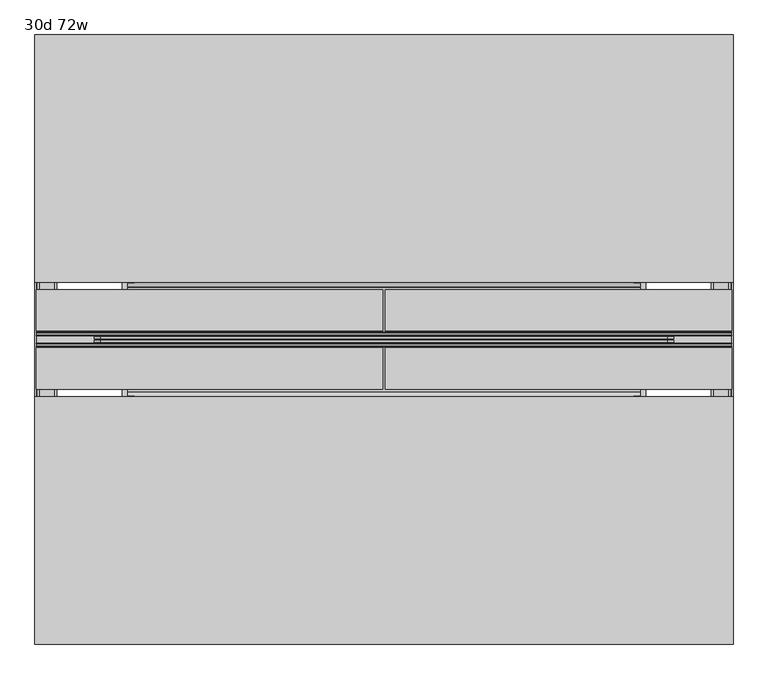
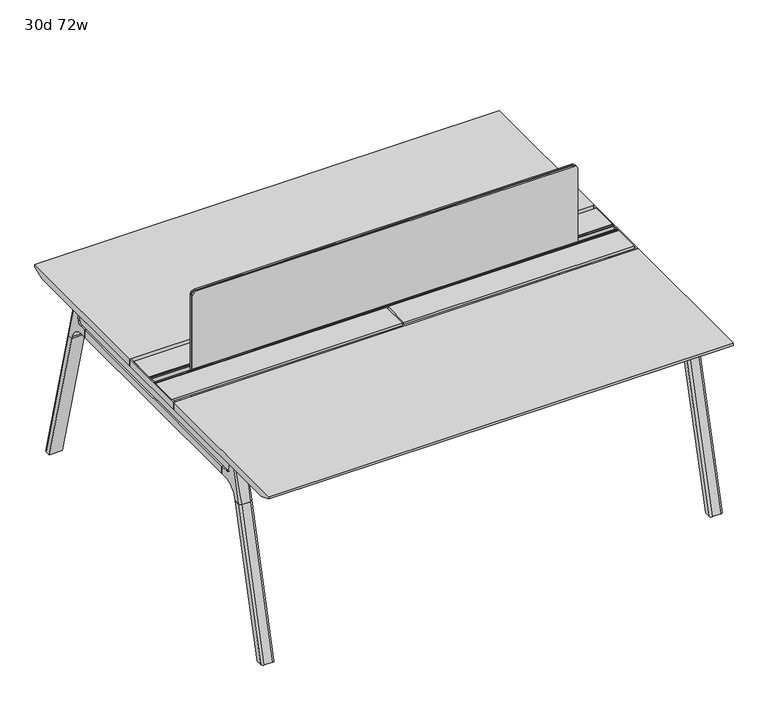
"""IFC4 building model written with IfcOpenShell, lengths in millimetres: furniture geometry, 30d 72w."""

from ifc_helpers import new_model, si_unit, point, frame, frame_2d, origin, place, context, project, spatial, polyline, circle_curve, ellipse_curve, trimmed, segment, composite_curve, outline, extrude, source, transform, mapped, element, save
from ifc_brep_helpers import plane_surface, cylinder_surface, revolved_surface, advanced_brep


def furniture_30d_72w_ed22104f(model_context):
    return source(origin(), model_context, "Body", "SolidModel", [
        extrude(outline(composite_curve([segment(polyline([(1054.89375, 955.675), (1054.89375, -523.875)]), True, "CONTINUOUS"), segment(trimmed(circle_curve(frame_2d((1039.01875, -523.875)), 15.875), [point((1054.89375, -523.875))], [point((1039.01875, -539.75))], False, "CARTESIAN"), True, "CONTINUOUS"), segment(polyline([(1039.01875, -539.75), (720.725, -539.75), (720.725, 971.55), (1039.01875, 971.55)]), True, "CONTINUOUS"), segment(trimmed(circle_curve(frame_2d((1039.01875, 955.675)), 15.875), [point((1039.01875, 971.55))], [point((1054.89375, 955.675))], False, "CARTESIAN"), True, "CONTINUOUS")], self_intersect=False)), frame((0.0, -201.3409766, 0.0), z_axis=(0.0, 1.0, 0.0), x_axis=(0.0, 0.0, 1.0)), (0.0, 0.0, 1.0), 3.175),
        extrude(outline(composite_curve([segment(polyline([(1058.06875, 958.85), (1058.06875, -527.05)]), True, "CONTINUOUS"), segment(trimmed(circle_curve(frame_2d((1042.19375, -527.05)), 15.875), [point((1058.06875, -527.05))], [point((1042.19375, -542.925))], False, "CARTESIAN"), True, "CONTINUOUS"), segment(polyline([(1042.19375, -542.925), (717.55, -542.925), (717.55, 974.725), (1042.19375, 974.725)]), True, "CONTINUOUS"), segment(trimmed(circle_curve(frame_2d((1042.19375, 958.85)), 15.875), [point((1042.19375, 974.725))], [point((1058.06875, 958.85))], False, "CARTESIAN"), True, "CONTINUOUS")], self_intersect=False)), frame((0.0, -198.1659766, 0.0), z_axis=(0.0, 1.0, 0.0), x_axis=(0.0, 0.0, 1.0)), (0.0, 0.0, 1.0), 5.55625),
        extrude(outline(composite_curve([segment(polyline([(1058.06875, 958.85), (1058.06875, -527.05)]), True, "CONTINUOUS"), segment(trimmed(circle_curve(frame_2d((1042.19375, -527.05)), 15.875), [point((1058.06875, -527.05))], [point((1042.19375, -542.925))], False, "CARTESIAN"), True, "CONTINUOUS"), segment(polyline([(1042.19375, -542.925), (717.55, -542.925), (717.55, 974.725), (1042.19375, 974.725)]), True, "CONTINUOUS"), segment(trimmed(circle_curve(frame_2d((1042.19375, 958.85)), 15.875), [point((1042.19375, 974.725))], [point((1058.06875, 958.85))], False, "CARTESIAN"), True, "CONTINUOUS")], self_intersect=False)), frame((0.0, -206.8972266, 0.0), z_axis=(0.0, 1.0, 0.0), x_axis=(0.0, 0.0, 1.0)), (0.0, 0.0, 1.0), 5.55625),
        extrude(outline(polyline([(-348.9784469, 559.4636683), (-364.040663, 627.7843353), (-35.4662901, 627.7843353), (-50.5285062, 559.4636683), (-46.7502281, 557.2647146), (-46.7502281, 549.3667827), (-62.6252238, 521.8704736), (-336.8817293, 521.8704736), (-352.756725, 549.3667827), (-352.756725, 557.2647146), (-348.9784469, 559.4636683)])), frame((889.0, 0.0, 0.0), z_axis=(1.0, 0.0, 0.0), x_axis=(0.0, 1.0, 0.0)), (0.0, 0.0, 1.0), 12.7),
        extrude(outline(polyline([(-348.9784469, 559.4636683), (-364.040663, 627.7843353), (-35.4662901, 627.7843353), (-50.5285062, 559.4636683), (-46.7502281, 557.2647146), (-46.7502281, 549.3667827), (-62.6252238, 521.8704736), (-336.8817293, 521.8704736), (-352.756725, 549.3667827), (-352.756725, 557.2647146), (-348.9784469, 559.4636683)])), frame((-469.9, 0.0, 0.0), z_axis=(1.0, 0.0, 0.0), x_axis=(0.0, 1.0, 0.0)), (0.0, 0.0, 1.0), 12.7),
        extrude(outline(polyline([(-18.0090763, 698.5), (3.7767266, 698.5), (3.7767266, 697.2935087), (-17.4495292, 697.2935087), (-19.0070753, 695.7359626), (-49.1186716, 559.1528512), (-50.5285062, 559.4636683), (-20.404074, 696.1050023), (-18.0090763, 698.5)])), frame((-469.9, 0.0, 0.0), z_axis=(1.0, 0.0, 0.0), x_axis=(0.0, 1.0, 0.0)), (0.0, 0.0, 1.0), 31.8008024),
        extrude(outline(polyline([(-381.4978768, 698.5), (-379.1028791, 696.1050023), (-348.9784469, 559.4636683), (-350.3882815, 559.1528512), (-380.4998778, 695.7359626), (-382.0574239, 697.2935087), (-403.2836797, 697.2935087), (-403.2836797, 698.5), (-381.4978768, 698.5)])), frame((-469.9, 0.0, 0.0), z_axis=(1.0, 0.0, 0.0), x_axis=(0.0, 1.0, 0.0)), (0.0, 0.0, 1.0), 31.8008024),
        extrude(outline(polyline([(-18.0090763, 698.5), (3.7767266, 698.5), (3.7767266, 697.2935087), (-17.4495292, 697.2935087), (-19.0070753, 695.7359626), (-49.1186716, 559.1528512), (-50.5285062, 559.4636683), (-20.404074, 696.1050023), (-18.0090763, 698.5)])), frame((869.8991976, 0.0, 0.0), z_axis=(1.0, 0.0, 0.0), x_axis=(0.0, 1.0, 0.0)), (0.0, 0.0, 1.0), 31.8008024),
        extrude(outline(polyline([(-381.4978768, 698.5), (-379.1028791, 696.1050023), (-348.9784469, 559.4636683), (-350.3882815, 559.1528512), (-380.4998778, 695.7359626), (-382.0574239, 697.2935087), (-403.2836797, 697.2935087), (-403.2836797, 698.5), (-381.4978768, 698.5)])), frame((869.8991976, 0.0, 0.0), z_axis=(1.0, 0.0, 0.0), x_axis=(0.0, 1.0, 0.0)), (0.0, 0.0, 1.0), 31.8008024),
        extrude(outline(polyline([(-353.550475, 557.5934966), (-351.518477, 559.6254947), (-350.957211, 559.0642287), (-352.756725, 557.2647146), (-352.756725, 549.3667827), (-352.5317745, 548.5272622), (-337.4390802, 522.3859395), (-336.0037101, 521.5572272), (-63.503243, 521.5572272), (-62.0678729, 522.3859395), (-46.9751786, 548.5272622), (-46.7502281, 549.3667827), (-46.7502281, 557.2647146), (-48.5497421, 559.0642287), (-47.9884761, 559.6254947), (-45.9564781, 557.5934966), (-45.9564781, 549.2622828), (-46.2355217, 548.2208856), (-61.4868074, 521.8048744), (-63.2905581, 520.7634772), (-336.216395, 520.7634772), (-338.0201457, 521.8048744), (-353.2714314, 548.2208856), (-353.550475, 549.2622828), (-353.550475, 557.5934966)])), frame((-469.8492037, 0.0, 0.0), z_axis=(1.0, 0.0, 0.0), x_axis=(0.0, 1.0, 0.0)), (0.0, 0.0, 1.0), 1371.5492037),
        extrude(outline(polyline([(-218.8034766, 715.9625), (-218.8034766, 741.3625), (-217.2159766, 741.3625), (-217.2159766, 720.725), (-210.8659766, 720.725), (-210.8659766, 741.3625), (-209.2784766, 741.3625), (-209.2784766, 717.55), (-190.2284766, 717.55), (-190.2284766, 741.3625), (-188.6409766, 741.3625), (-188.6409766, 720.725), (-182.2909766, 720.725), (-182.2909766, 741.3625), (-180.7034766, 741.3625), (-180.7034766, 715.9625), (-218.8034766, 715.9625)])), frame((-695.325, 0.0, 0.0), z_axis=(1.0, 0.0, 0.0), x_axis=(0.0, 1.0, 0.0)), (0.0, 0.0, 1.0), 1822.45),
        extrude(outline(composite_curve([segment(polyline([(328.0902734, 711.2), (319.0321726, 677.3947076)]), True, "CONTINUOUS"), segment(trimmed(circle_curve(frame_2d((303.6981001, 681.5034599)), 15.875), [point((319.0321726, 677.3947076))], [point((303.6981001, 665.6284599))], False, "CARTESIAN"), True, "CONTINUOUS"), segment(polyline([(303.6981001, 665.6284599), (-703.2050533, 665.6284599)]), True, "CONTINUOUS"), segment(trimmed(circle_curve(frame_2d((-703.2050533, 681.5034599)), 15.875), [point((-703.2050533, 665.6284599))], [point((-718.5391258, 677.3947076))], False, "CARTESIAN"), True, "CONTINUOUS"), segment(polyline([(-718.5391258, 677.3947076), (-727.5972266, 711.2), (328.0902734, 711.2)]), True, "CONTINUOUS")], self_intersect=False)), frame((1079.5, 0.0, 0.0), z_axis=(1.0, 0.0, 0.0), x_axis=(0.0, 1.0, 0.0)), (0.0, 0.0, 1.0), 38.1),
        extrude(outline(polyline([(1123.95, 267.7652734), (1123.95, -667.2722266), (1073.15, -667.2722266), (1073.15, 267.7652734), (1123.95, 267.7652734)])), frame((0.0, 0.0, 635.6476591), z_axis=(0.0, 0.0, 1.0), x_axis=(1.0, 0.0, 0.0)), (0.0, 0.0, 1.0), 29.9808008),
        extrude(outline(composite_curve([segment(polyline([(328.0902734, 711.2), (319.0321726, 677.3947076)]), True, "CONTINUOUS"), segment(trimmed(circle_curve(frame_2d((303.6981001, 681.5034599)), 15.875), [point((319.0321726, 677.3947076))], [point((303.6981001, 665.6284599))], False, "CARTESIAN"), True, "CONTINUOUS"), segment(polyline([(303.6981001, 665.6284599), (-703.2050533, 665.6284599)]), True, "CONTINUOUS"), segment(trimmed(circle_curve(frame_2d((-703.2050533, 681.5034599)), 15.875), [point((-703.2050533, 665.6284599))], [point((-718.5391258, 677.3947076))], False, "CARTESIAN"), True, "CONTINUOUS"), segment(polyline([(-718.5391258, 677.3947076), (-727.5972266, 711.2), (328.0902734, 711.2)]), True, "CONTINUOUS")], self_intersect=False)), frame((-685.8, 0.0, 0.0), z_axis=(1.0, 0.0, 0.0), x_axis=(0.0, 1.0, 0.0)), (0.0, 0.0, 1.0), 38.1),
        extrude(outline(polyline([(-641.35, 267.7652734), (-641.35, -667.2722266), (-692.15, -667.2722266), (-692.15, 267.7652734), (-641.35, 267.7652734)])), frame((0.0, 0.0, 635.6476591), z_axis=(0.0, 0.0, 1.0), x_axis=(1.0, 0.0, 0.0)), (0.0, 0.0, 1.0), 29.9808008),
        advanced_brep(
        [(1073.15, -721.2935553, 711.2), (1073.15, -712.2354545, 677.3947076), (1073.15, -696.901382, 665.6284599), (1073.15, -667.2722266, 665.6284599), (1073.15, -667.2722266, 635.6476591), (1073.15, -690.1434588, 635.6476591), (1073.15, -754.5465633, 586.2294189), (1073.15, -757.1047754, 576.6820411), (1073.15, -778.2087453, 576.6820411), (1073.15, -742.7601017, 711.2), (1123.95, -757.1047754, 576.6820411), (1123.95, -754.5465633, 586.2294189), (1123.95, -690.1434588, 635.6476591), (1123.95, -667.2722266, 635.6476591), (1123.95, -667.2722266, 665.6284599), (1123.95, -696.901382, 665.6284599), (1123.95, -712.2354545, 677.3947076), (1123.95, -721.2935553, 711.2), (1123.95, -742.7601017, 711.2), (1123.95, -778.2087453, 576.6820411), (1079.4138162, -752.0149462, 711.2), (1117.6861838, -752.0149462, 711.2), (1114.425, -788.0589247, 576.6820411), (1082.675, -788.0589247, 576.6820411)],
        [
            (0, 1),
            (1, 2, circle_curve(frame((1073.15, -696.901382, 681.5034599), z_axis=(1.0, 0.0, 0.0), x_axis=(0.0, -1.0, 0.0)), 15.875)),
            (2, 3),
            (3, 4),
            (4, 5),
            (5, 6, circle_curve(frame((1073.15, -690.1434588, 568.9726591), z_axis=(1.0, 0.0, 0.0), x_axis=(0.0, -1.0, 0.0)), 66.675)),
            (6, 7),
            (7, 8),
            (8, 9),
            (9, 0),
            (10, 11),
            (11, 12, circle_curve(frame((1123.95, -690.1434588, 568.9726591), z_axis=(-1.0, 0.0, 0.0), x_axis=(0.0, -1.0, 0.0)), 66.675)),
            (12, 13),
            (13, 14),
            (14, 15),
            (15, 16, circle_curve(frame((1123.95, -696.901382, 681.5034599), z_axis=(-1.0, 0.0, 0.0), x_axis=(0.0, -1.0, 0.0)), 15.875)),
            (16, 17),
            (17, 18),
            (18, 19),
            (19, 10),
            (17, 0),
            (9, 20, ellipse_curve(frame((1082.675, -742.7601017, 711.2), z_axis=(0.0, 0.0, 1.0), x_axis=(0.0, -1.0, 0.0)), 9.8501793, 9.525)),
            (20, 21),
            (21, 18, ellipse_curve(frame((1114.425, -742.7601017, 711.2), z_axis=(0.0, 0.0, 1.0), x_axis=(0.0, -1.0, 0.0)), 9.8501793, 9.525)),
            (16, 1),
            (15, 2),
            (14, 3),
            (13, 4),
            (12, 5),
            (11, 6),
            (10, 7),
            (19, 22, ellipse_curve(frame((1114.425, -778.2087453, 576.6820411), z_axis=(0.0, 0.0, -1.0), x_axis=(0.0, -1.0, 0.0)), 9.8501793, 9.525)),
            (22, 23),
            (23, 8, ellipse_curve(frame((1082.675, -778.2087453, 576.6820411), z_axis=(0.0, 0.0, -1.0), x_axis=(0.0, -1.0, 0.0)), 9.8501793, 9.525)),
            (20, 23, ellipse_curve(frame((1082.675, -191.6892106, 2802.3641142), z_axis=(0.0, -0.9659258262890684, 0.2588190451025206), x_axis=(0.0, -0.2588190451025206, -0.9659258262890684)), 2304.1956354, 9.525)),
            (22, 21, ellipse_curve(frame((1114.425, -191.6892106, 2802.3641142), z_axis=(0.0, -0.9659258262890684, 0.2588190451025206), x_axis=(0.0, -0.2588190451025206, -0.9659258262890684)), 2304.1956354, 9.525)),
        ],
        [
            plane_surface(frame((1073.15, -752.0149462, 711.2), z_axis=(-1.0, 0.0, 0.0), x_axis=(0.0, 1.0, 0.0))),
            plane_surface(frame((1123.95, -752.0149462, 711.2), z_axis=(1.0, 0.0, 0.0), x_axis=(0.0, -1.0, 0.0))),
            plane_surface(frame((1073.15, -752.0149462, 711.2), z_axis=(0.0, 0.0, 1.0), x_axis=(1.0, 0.0, 0.0))),
            plane_surface(frame((1073.15, -721.2935553, 711.2), z_axis=(0.0, 0.9659258262890683, 0.2588190451025207), x_axis=(1.0, 0.0, 0.0))),
            revolved_surface(polyline([(1123.95, -712.776382, 681.5034599), (1073.15, -712.776382, 681.5034599)]), (1123.95, -696.901382, 681.5034599), (1.0, 0.0, 0.0)),
            plane_surface(frame((1073.15, -696.901382, 665.6284599), z_axis=(0.0, 0.0, 1.0), x_axis=(1.0, 0.0, 0.0))),
            plane_surface(frame((1073.15, -667.2722266, 665.6284599), z_axis=(0.0, 1.0, 0.0), x_axis=(1.0, 0.0, 0.0))),
            plane_surface(frame((1073.15, -667.2722266, 635.6476591), z_axis=(0.0, 0.0, -1.0), x_axis=(1.0, 0.0, 0.0))),
            revolved_surface(polyline([(1123.95, -756.8184587999999, 568.9726591), (1073.15, -756.8184587999999, 568.9726591)]), (1123.95, -690.1434588, 568.9726591), (1.0, 0.0, 0.0)),
            plane_surface(frame((1073.15, -754.5465633, 586.2294189), z_axis=(0.0, 0.9659258262890693, -0.25881904510251696), x_axis=(1.0, 0.0, 0.0))),
            plane_surface(frame((1073.15, -757.1047754, 576.6820411), z_axis=(0.0, 0.0, -1.0), x_axis=(1.0, 0.0, 0.0))),
            plane_surface(frame((1073.15, -788.0589247, 576.6820411), z_axis=(0.0, -0.9659258262890684, 0.2588190451025206), x_axis=(1.0, 0.0, 0.0))),
            cylinder_surface(frame((1082.675, -930.8176402, -2.4271979), z_axis=(0.0, -0.25482392474081483, -0.966987470125486), x_axis=(1.0, 0.0, 0.0)), 9.525),
            cylinder_surface(frame((1114.425, -930.8176402, -2.4271979), z_axis=(0.0, -0.25482392474081483, -0.966987470125486), x_axis=(1.0, 0.0, 0.0)), 9.525),
        ],
        [
            (0, [[1, 2, 3, 4, 5, 6, 7, 8, 9, 10]]),
            (1, [[11, 12, 13, 14, 15, 16, 17, 18, 19, 20]]),
            (2, [[21, -10, 22, 23, 24, -18]]),
            (3, [[-1, -21, -17, 25]]),
            (4, [[-2, -25, -16, 26]]),
            (5, [[-3, -26, -15, 27]]),
            (6, [[-4, -27, -14, 28]]),
            (7, [[-5, -28, -13, 29]]),
            (8, [[-6, -29, -12, 30]]),
            (9, [[-7, -30, -11, 31]]),
            (10, [[-31, -20, 32, 33, 34, -8]]),
            (11, [[-23, 35, -33, 36]]),
            (12, [[-9, -34, -35, -22]]),
            (13, [[-19, -24, -36, -32]]),
        ],
    ),
        advanced_brep(
        [(1073.15, -757.1047754, 576.6820411), (1073.15, -909.0740466, 0.0), (1073.15, -930.1780165, 0.0), (1073.15, -778.2087453, 576.6820411), (1123.95, -909.0740466, 0.0), (1123.95, -757.1047754, 576.6820411), (1123.95, -778.2087453, 576.6820411), (1123.95, -930.1780165, 0.0), (1082.675, -788.0589247, 576.6820411), (1114.425, -788.0589247, 576.6820411), (1114.425, -940.0281958, 0.0), (1082.675, -940.0281958, 0.0)],
        [
            (0, 1),
            (1, 2),
            (2, 3),
            (3, 0),
            (4, 5),
            (5, 6),
            (6, 7),
            (7, 4),
            (5, 0),
            (3, 8, ellipse_curve(frame((1082.675, -778.2087453, 576.6820411), z_axis=(0.0, 0.0, 1.0), x_axis=(0.0, -1.0, 0.0)), 9.8501793, 9.525)),
            (8, 9),
            (9, 6, ellipse_curve(frame((1114.425, -778.2087453, 576.6820411), z_axis=(0.0, 0.0, 1.0), x_axis=(0.0, -1.0, 0.0)), 9.8501793, 9.525)),
            (4, 1),
            (7, 10, ellipse_curve(frame((1114.425, -930.1780165, 0.0), z_axis=(0.0, 0.0, -1.0), x_axis=(0.0, -1.0, 0.0)), 9.8501793, 9.525)),
            (10, 11),
            (11, 2, ellipse_curve(frame((1082.675, -930.1780165, 0.0), z_axis=(0.0, 0.0, -1.0), x_axis=(0.0, -1.0, 0.0)), 9.8501793, 9.525)),
            (8, 11),
            (10, 9),
        ],
        [
            plane_surface(frame((1073.15, -788.0589247, 576.6820411), z_axis=(-1.0, 0.0, 0.0), x_axis=(0.0, 1.0, 0.0))),
            plane_surface(frame((1123.95, -788.0589247, 576.6820411), z_axis=(1.0, 0.0, 0.0), x_axis=(0.0, -1.0, 0.0))),
            plane_surface(frame((1073.15, -788.0589247, 576.6820411), z_axis=(0.0, 0.0, 1.0), x_axis=(1.0, 0.0, 0.0))),
            plane_surface(frame((1073.15, -757.1047754, 576.6820411), z_axis=(0.0, 0.9669874701254844, -0.2548239247408208), x_axis=(1.0, 0.0, 0.0))),
            plane_surface(frame((1073.15, -909.0740466, 0.0), z_axis=(0.0, 0.0, -1.0), x_axis=(1.0, 0.0, 0.0))),
            plane_surface(frame((1073.15, -940.0281958, 0.0), z_axis=(0.0, -0.9669874701254855, 0.2548239247408166), x_axis=(1.0, 0.0, 0.0))),
            cylinder_surface(frame((1082.675, -930.8176402, -2.4271979), z_axis=(0.0, -0.25482392474081483, -0.966987470125486), x_axis=(1.0, 0.0, 0.0)), 9.525),
            cylinder_surface(frame((1114.425, -930.8176402, -2.4271979), z_axis=(0.0, -0.25482392474081483, -0.966987470125486), x_axis=(1.0, 0.0, 0.0)), 9.525),
        ],
        [
            (0, [[1, 2, 3, 4]]),
            (1, [[5, 6, 7, 8]]),
            (2, [[9, -4, 10, 11, 12, -6]]),
            (3, [[-1, -9, -5, 13]]),
            (4, [[-13, -8, 14, 15, 16, -2]]),
            (5, [[-11, 17, -15, 18]]),
            (6, [[-3, -16, -17, -10]]),
            (7, [[-7, -12, -18, -14]]),
        ],
    ),
        advanced_brep(
        [(1123.95, 321.7866022, 711.2), (1123.95, 312.7285014, 677.3947076), (1123.95, 297.3944289, 665.6284599), (1123.95, 267.7652734, 665.6284599), (1123.95, 267.7652734, 635.6476591), (1123.95, 290.6365057, 635.6476591), (1123.95, 355.0396101, 586.2294189), (1123.95, 357.5978223, 576.6820411), (1123.95, 378.7017922, 576.6820411), (1123.95, 343.2531486, 711.2), (1073.15, 357.5978223, 576.6820411), (1073.15, 355.0396101, 586.2294189), (1073.15, 290.6365057, 635.6476591), (1073.15, 267.7652734, 635.6476591), (1073.15, 267.7652734, 665.6284599), (1073.15, 297.3944289, 665.6284599), (1073.15, 312.7285014, 677.3947076), (1073.15, 321.7866022, 711.2), (1073.15, 343.2531486, 711.2), (1073.15, 378.7017922, 576.6820411), (1117.6861838, 352.5079931, 711.2), (1079.4138162, 352.5079931, 711.2), (1082.675, 388.5519716, 576.6820411), (1114.425, 388.5519716, 576.6820411)],
        [
            (0, 1),
            (1, 2, circle_curve(frame((1123.95, 297.3944289, 681.5034599), z_axis=(-1.0, 0.0, 0.0), x_axis=(0.0, 1.0, 0.0)), 15.875)),
            (2, 3),
            (3, 4),
            (4, 5),
            (5, 6, circle_curve(frame((1123.95, 290.6365057, 568.9726591), z_axis=(-1.0, 0.0, 0.0), x_axis=(0.0, 1.0, 0.0)), 66.675)),
            (6, 7),
            (7, 8),
            (8, 9),
            (9, 0),
            (10, 11),
            (11, 12, circle_curve(frame((1073.15, 290.6365057, 568.9726591), z_axis=(1.0, 0.0, 0.0), x_axis=(0.0, 1.0, 0.0)), 66.675)),
            (12, 13),
            (13, 14),
            (14, 15),
            (15, 16, circle_curve(frame((1073.15, 297.3944289, 681.5034599), z_axis=(1.0, 0.0, 0.0), x_axis=(0.0, 1.0, 0.0)), 15.875)),
            (16, 17),
            (17, 18),
            (18, 19),
            (19, 10),
            (17, 0),
            (9, 20, ellipse_curve(frame((1114.425, 343.2531486, 711.2), z_axis=(0.0, 0.0, 1.0), x_axis=(0.0, 1.0, 0.0)), 9.8501793, 9.525)),
            (20, 21),
            (21, 18, ellipse_curve(frame((1082.675, 343.2531486, 711.2), z_axis=(0.0, 0.0, 1.0), x_axis=(0.0, 1.0, 0.0)), 9.8501793, 9.525)),
            (16, 1),
            (15, 2),
            (14, 3),
            (13, 4),
            (12, 5),
            (11, 6),
            (10, 7),
            (19, 22, ellipse_curve(frame((1082.675, 378.7017922, 576.6820411), z_axis=(0.0, 0.0, -1.0), x_axis=(0.0, 1.0, 0.0)), 9.8501793, 9.525)),
            (22, 23),
            (23, 8, ellipse_curve(frame((1114.425, 378.7017922, 576.6820411), z_axis=(0.0, 0.0, -1.0), x_axis=(0.0, 1.0, 0.0)), 9.8501793, 9.525)),
            (20, 23, ellipse_curve(frame((1114.425, -207.8177425, 2802.3641142), z_axis=(0.0, 0.9659258262890684, 0.2588190451025206), x_axis=(0.0, 0.2588190451025206, -0.9659258262890684)), 2304.1956354, 9.525)),
            (22, 21, ellipse_curve(frame((1082.675, -207.8177425, 2802.3641142), z_axis=(0.0, 0.9659258262890684, 0.2588190451025206), x_axis=(0.0, 0.2588190451025206, -0.9659258262890684)), 2304.1956354, 9.525)),
        ],
        [
            plane_surface(frame((1123.95, 352.5079931, 711.2), z_axis=(1.0, 0.0, 0.0), x_axis=(0.0, -1.0, 0.0))),
            plane_surface(frame((1073.15, 352.5079931, 711.2), z_axis=(-1.0, 0.0, 0.0), x_axis=(0.0, 1.0, 0.0))),
            plane_surface(frame((1123.95, 352.5079931, 711.2), z_axis=(0.0, 0.0, 1.0), x_axis=(-1.0, 0.0, 0.0))),
            plane_surface(frame((1123.95, 321.7866022, 711.2), z_axis=(0.0, -0.9659258262890683, 0.2588190451025207), x_axis=(-1.0, 0.0, 0.0))),
            revolved_surface(polyline([(1073.15, 313.2694289, 681.5034599), (1123.95, 313.2694289, 681.5034599)]), (1073.15, 297.3944289, 681.5034599), (-1.0, 0.0, 0.0)),
            plane_surface(frame((1123.95, 297.3944289, 665.6284599), z_axis=(0.0, 0.0, 1.0), x_axis=(-1.0, 0.0, 0.0))),
            plane_surface(frame((1123.95, 267.7652734, 665.6284599), z_axis=(0.0, -1.0, 0.0), x_axis=(-1.0, 0.0, 0.0))),
            plane_surface(frame((1123.95, 267.7652734, 635.6476591), z_axis=(0.0, 0.0, -1.0), x_axis=(-1.0, 0.0, 0.0))),
            revolved_surface(polyline([(1073.15, 357.3115057, 568.9726591), (1123.95, 357.3115057, 568.9726591)]), (1073.15, 290.6365057, 568.9726591), (-1.0, 0.0, 0.0)),
            plane_surface(frame((1123.95, 355.0396101, 586.2294189), z_axis=(0.0, -0.9659258262890693, -0.25881904510251696), x_axis=(-1.0, 0.0, 0.0))),
            plane_surface(frame((1123.95, 357.5978223, 576.6820411), z_axis=(0.0, 0.0, -1.0), x_axis=(-1.0, 0.0, 0.0))),
            plane_surface(frame((1123.95, 388.5519716, 576.6820411), z_axis=(0.0, 0.9659258262890684, 0.2588190451025206), x_axis=(-1.0, 0.0, 0.0))),
            cylinder_surface(frame((1114.425, 531.3106871, -2.4271979), z_axis=(0.0, 0.25482392474081483, -0.966987470125486), x_axis=(-1.0, 0.0, 0.0)), 9.525),
            cylinder_surface(frame((1082.675, 531.3106871, -2.4271979), z_axis=(0.0, 0.25482392474081483, -0.966987470125486), x_axis=(-1.0, 0.0, 0.0)), 9.525),
        ],
        [
            (0, [[1, 2, 3, 4, 5, 6, 7, 8, 9, 10]]),
            (1, [[11, 12, 13, 14, 15, 16, 17, 18, 19, 20]]),
            (2, [[21, -10, 22, 23, 24, -18]]),
            (3, [[-1, -21, -17, 25]]),
            (4, [[-2, -25, -16, 26]]),
            (5, [[-3, -26, -15, 27]]),
            (6, [[-4, -27, -14, 28]]),
            (7, [[-5, -28, -13, 29]]),
            (8, [[-6, -29, -12, 30]]),
            (9, [[-7, -30, -11, 31]]),
            (10, [[-31, -20, 32, 33, 34, -8]]),
            (11, [[-23, 35, -33, 36]]),
            (12, [[-9, -34, -35, -22]]),
            (13, [[-19, -24, -36, -32]]),
        ],
    ),
        advanced_brep(
        [(1123.95, 357.5978223, 576.6820411), (1123.95, 509.5670935, 0.0), (1123.95, 530.6710634, 0.0), (1123.95, 378.7017922, 576.6820411), (1073.15, 509.5670935, 0.0), (1073.15, 357.5978223, 576.6820411), (1073.15, 378.7017922, 576.6820411), (1073.15, 530.6710634, 0.0), (1114.425, 388.5519716, 576.6820411), (1082.675, 388.5519716, 576.6820411), (1082.675, 540.5212427, 0.0), (1114.425, 540.5212427, 0.0)],
        [
            (0, 1),
            (1, 2),
            (2, 3),
            (3, 0),
            (4, 5),
            (5, 6),
            (6, 7),
            (7, 4),
            (5, 0),
            (3, 8, ellipse_curve(frame((1114.425, 378.7017922, 576.6820411), z_axis=(0.0, 0.0, 1.0), x_axis=(0.0, 1.0, 0.0)), 9.8501793, 9.525)),
            (8, 9),
            (9, 6, ellipse_curve(frame((1082.675, 378.7017922, 576.6820411), z_axis=(0.0, 0.0, 1.0), x_axis=(0.0, 1.0, 0.0)), 9.8501793, 9.525)),
            (4, 1),
            (7, 10, ellipse_curve(frame((1082.675, 530.6710634, 0.0), z_axis=(0.0, 0.0, -1.0), x_axis=(0.0, 1.0, 0.0)), 9.8501793, 9.525)),
            (10, 11),
            (11, 2, ellipse_curve(frame((1114.425, 530.6710634, 0.0), z_axis=(0.0, 0.0, -1.0), x_axis=(0.0, 1.0, 0.0)), 9.8501793, 9.525)),
            (8, 11),
            (10, 9),
        ],
        [
            plane_surface(frame((1123.95, 388.5519716, 576.6820411), z_axis=(1.0, 0.0, 0.0), x_axis=(0.0, -1.0, 0.0))),
            plane_surface(frame((1073.15, 388.5519716, 576.6820411), z_axis=(-1.0, 0.0, 0.0), x_axis=(0.0, 1.0, 0.0))),
            plane_surface(frame((1123.95, 388.5519716, 576.6820411), z_axis=(0.0, 0.0, 1.0), x_axis=(-1.0, 0.0, 0.0))),
            plane_surface(frame((1123.95, 357.5978223, 576.6820411), z_axis=(0.0, -0.9669874701254844, -0.2548239247408208), x_axis=(-1.0, 0.0, 0.0))),
            plane_surface(frame((1123.95, 509.5670935, 0.0), z_axis=(0.0, 0.0, -1.0), x_axis=(-1.0, 0.0, 0.0))),
            plane_surface(frame((1123.95, 540.5212427, 0.0), z_axis=(0.0, 0.9669874701254855, 0.2548239247408166), x_axis=(-1.0, 0.0, 0.0))),
            cylinder_surface(frame((1114.425, 531.3106871, -2.4271979), z_axis=(0.0, 0.25482392474081483, -0.966987470125486), x_axis=(-1.0, 0.0, 0.0)), 9.525),
            cylinder_surface(frame((1082.675, 531.3106871, -2.4271979), z_axis=(0.0, 0.25482392474081483, -0.966987470125486), x_axis=(-1.0, 0.0, 0.0)), 9.525),
        ],
        [
            (0, [[1, 2, 3, 4]]),
            (1, [[5, 6, 7, 8]]),
            (2, [[9, -4, 10, 11, 12, -6]]),
            (3, [[-1, -9, -5, 13]]),
            (4, [[-13, -8, 14, 15, 16, -2]]),
            (5, [[-11, 17, -15, 18]]),
            (6, [[-3, -16, -17, -10]]),
            (7, [[-7, -12, -18, -14]]),
        ],
    ),
        advanced_brep(
        [(-641.35, 321.7866022, 711.2), (-641.35, 312.7285014, 677.3947076), (-641.35, 297.3944289, 665.6284599), (-641.35, 267.7652734, 665.6284599), (-641.35, 267.7652734, 635.6476591), (-641.35, 290.6365057, 635.6476591), (-641.35, 355.0396101, 586.2294189), (-641.35, 357.5978223, 576.6820411), (-641.35, 378.7017922, 576.6820411), (-641.35, 343.2531486, 711.2), (-692.15, 357.5978223, 576.6820411), (-692.15, 355.0396101, 586.2294189), (-692.15, 290.6365057, 635.6476591), (-692.15, 267.7652734, 635.6476591), (-692.15, 267.7652734, 665.6284599), (-692.15, 297.3944289, 665.6284599), (-692.15, 312.7285014, 677.3947076), (-692.15, 321.7866022, 711.2), (-692.15, 343.2531486, 711.2), (-692.15, 378.7017922, 576.6820411), (-647.6138162, 352.5079931, 711.2), (-685.8861838, 352.5079931, 711.2), (-682.625, 388.5519716, 576.6820411), (-650.875, 388.5519716, 576.6820411)],
        [
            (0, 1),
            (1, 2, circle_curve(frame((-641.35, 297.3944289, 681.5034599), z_axis=(-1.0, 0.0, 0.0), x_axis=(0.0, 1.0, 0.0)), 15.875)),
            (2, 3),
            (3, 4),
            (4, 5),
            (5, 6, circle_curve(frame((-641.35, 290.6365057, 568.9726591), z_axis=(-1.0, 0.0, 0.0), x_axis=(0.0, 1.0, 0.0)), 66.675)),
            (6, 7),
            (7, 8),
            (8, 9),
            (9, 0),
            (10, 11),
            (11, 12, circle_curve(frame((-692.15, 290.6365057, 568.9726591), z_axis=(1.0, 0.0, 0.0), x_axis=(0.0, 1.0, 0.0)), 66.675)),
            (12, 13),
            (13, 14),
            (14, 15),
            (15, 16, circle_curve(frame((-692.15, 297.3944289, 681.5034599), z_axis=(1.0, 0.0, 0.0), x_axis=(0.0, 1.0, 0.0)), 15.875)),
            (16, 17),
            (17, 18),
            (18, 19),
            (19, 10),
            (17, 0),
            (9, 20, ellipse_curve(frame((-650.875, 343.2531486, 711.2), z_axis=(0.0, 0.0, 1.0), x_axis=(0.0, 1.0, 0.0)), 9.8501793, 9.525)),
            (20, 21),
            (21, 18, ellipse_curve(frame((-682.625, 343.2531486, 711.2), z_axis=(0.0, 0.0, 1.0), x_axis=(0.0, 1.0, 0.0)), 9.8501793, 9.525)),
            (16, 1),
            (15, 2),
            (14, 3),
            (13, 4),
            (12, 5),
            (11, 6),
            (10, 7),
            (19, 22, ellipse_curve(frame((-682.625, 378.7017922, 576.6820411), z_axis=(0.0, 0.0, -1.0), x_axis=(0.0, 1.0, 0.0)), 9.8501793, 9.525)),
            (22, 23),
            (23, 8, ellipse_curve(frame((-650.875, 378.7017922, 576.6820411), z_axis=(0.0, 0.0, -1.0), x_axis=(0.0, 1.0, 0.0)), 9.8501793, 9.525)),
            (20, 23, ellipse_curve(frame((-650.875, -207.8177425, 2802.3641142), z_axis=(0.0, 0.9659258262890684, 0.2588190451025206), x_axis=(0.0, 0.2588190451025206, -0.9659258262890684)), 2304.1956354, 9.525)),
            (22, 21, ellipse_curve(frame((-682.625, -207.8177425, 2802.3641142), z_axis=(0.0, 0.9659258262890684, 0.2588190451025206), x_axis=(0.0, 0.2588190451025206, -0.9659258262890684)), 2304.1956354, 9.525)),
        ],
        [
            plane_surface(frame((-641.35, 352.5079931, 711.2), z_axis=(1.0, 0.0, 0.0), x_axis=(0.0, -1.0, 0.0))),
            plane_surface(frame((-692.15, 352.5079931, 711.2), z_axis=(-1.0, 0.0, 0.0), x_axis=(0.0, 1.0, 0.0))),
            plane_surface(frame((-641.35, 352.5079931, 711.2), z_axis=(0.0, 0.0, 1.0), x_axis=(-1.0, 0.0, 0.0))),
            plane_surface(frame((-641.35, 321.7866022, 711.2), z_axis=(0.0, -0.9659258262890683, 0.2588190451025207), x_axis=(-1.0, 0.0, 0.0))),
            revolved_surface(polyline([(-692.15, 313.2694289, 681.5034599), (-641.35, 313.2694289, 681.5034599)]), (-692.15, 297.3944289, 681.5034599), (-1.0, 0.0, 0.0)),
            plane_surface(frame((-641.35, 297.3944289, 665.6284599), z_axis=(0.0, 0.0, 1.0), x_axis=(-1.0, 0.0, 0.0))),
            plane_surface(frame((-641.35, 267.7652734, 665.6284599), z_axis=(0.0, -1.0, 0.0), x_axis=(-1.0, 0.0, 0.0))),
            plane_surface(frame((-641.35, 267.7652734, 635.6476591), z_axis=(0.0, 0.0, -1.0), x_axis=(-1.0, 0.0, 0.0))),
            revolved_surface(polyline([(-692.15, 357.3115057, 568.9726591), (-641.35, 357.3115057, 568.9726591)]), (-692.15, 290.6365057, 568.9726591), (-1.0, 0.0, 0.0)),
            plane_surface(frame((-641.35, 355.0396101, 586.2294189), z_axis=(0.0, -0.9659258262890693, -0.25881904510251696), x_axis=(-1.0, 0.0, 0.0))),
            plane_surface(frame((-641.35, 357.5978223, 576.6820411), z_axis=(0.0, 0.0, -1.0), x_axis=(-1.0, 0.0, 0.0))),
            plane_surface(frame((-641.35, 388.5519716, 576.6820411), z_axis=(0.0, 0.9659258262890684, 0.2588190451025206), x_axis=(-1.0, 0.0, 0.0))),
            cylinder_surface(frame((-650.875, 531.3106871, -2.4271979), z_axis=(0.0, 0.25482392474081483, -0.966987470125486), x_axis=(-1.0, 0.0, 0.0)), 9.525),
            cylinder_surface(frame((-682.625, 531.3106871, -2.4271979), z_axis=(0.0, 0.25482392474081483, -0.966987470125486), x_axis=(-1.0, 0.0, 0.0)), 9.525),
        ],
        [
            (0, [[1, 2, 3, 4, 5, 6, 7, 8, 9, 10]]),
            (1, [[11, 12, 13, 14, 15, 16, 17, 18, 19, 20]]),
            (2, [[21, -10, 22, 23, 24, -18]]),
            (3, [[-1, -21, -17, 25]]),
            (4, [[-2, -25, -16, 26]]),
            (5, [[-3, -26, -15, 27]]),
            (6, [[-4, -27, -14, 28]]),
            (7, [[-5, -28, -13, 29]]),
            (8, [[-6, -29, -12, 30]]),
            (9, [[-7, -30, -11, 31]]),
            (10, [[-31, -20, 32, 33, 34, -8]]),
            (11, [[-23, 35, -33, 36]]),
            (12, [[-9, -34, -35, -22]]),
            (13, [[-19, -24, -36, -32]]),
        ],
    ),
        advanced_brep(
        [(-641.35, 357.5978223, 576.6820411), (-641.35, 509.5670935, 0.0), (-641.35, 530.6710634, 0.0), (-641.35, 378.7017922, 576.6820411), (-692.15, 509.5670935, 0.0), (-692.15, 357.5978223, 576.6820411), (-692.15, 378.7017922, 576.6820411), (-692.15, 530.6710634, 0.0), (-650.875, 388.5519716, 576.6820411), (-682.625, 388.5519716, 576.6820411), (-682.625, 540.5212427, 0.0), (-650.875, 540.5212427, 0.0)],
        [
            (0, 1),
            (1, 2),
            (2, 3),
            (3, 0),
            (4, 5),
            (5, 6),
            (6, 7),
            (7, 4),
            (5, 0),
            (3, 8, ellipse_curve(frame((-650.875, 378.7017922, 576.6820411), z_axis=(0.0, 0.0, 1.0), x_axis=(0.0, 1.0, 0.0)), 9.8501793, 9.525)),
            (8, 9),
            (9, 6, ellipse_curve(frame((-682.625, 378.7017922, 576.6820411), z_axis=(0.0, 0.0, 1.0), x_axis=(0.0, 1.0, 0.0)), 9.8501793, 9.525)),
            (4, 1),
            (7, 10, ellipse_curve(frame((-682.625, 530.6710634, 0.0), z_axis=(0.0, 0.0, -1.0), x_axis=(0.0, 1.0, 0.0)), 9.8501793, 9.525)),
            (10, 11),
            (11, 2, ellipse_curve(frame((-650.875, 530.6710634, 0.0), z_axis=(0.0, 0.0, -1.0), x_axis=(0.0, 1.0, 0.0)), 9.8501793, 9.525)),
            (8, 11),
            (10, 9),
        ],
        [
            plane_surface(frame((-641.35, 388.5519716, 576.6820411), z_axis=(1.0, 0.0, 0.0), x_axis=(0.0, -1.0, 0.0))),
            plane_surface(frame((-692.15, 388.5519716, 576.6820411), z_axis=(-1.0, 0.0, 0.0), x_axis=(0.0, 1.0, 0.0))),
            plane_surface(frame((-641.35, 388.5519716, 576.6820411), z_axis=(0.0, 0.0, 1.0), x_axis=(-1.0, 0.0, 0.0))),
            plane_surface(frame((-641.35, 357.5978223, 576.6820411), z_axis=(0.0, -0.9669874701254844, -0.2548239247408208), x_axis=(-1.0, 0.0, 0.0))),
            plane_surface(frame((-641.35, 509.5670935, 0.0), z_axis=(0.0, 0.0, -1.0), x_axis=(-1.0, 0.0, 0.0))),
            plane_surface(frame((-641.35, 540.5212427, 0.0), z_axis=(0.0, 0.9669874701254855, 0.2548239247408166), x_axis=(-1.0, 0.0, 0.0))),
            cylinder_surface(frame((-650.875, 531.3106871, -2.4271979), z_axis=(0.0, 0.25482392474081483, -0.966987470125486), x_axis=(-1.0, 0.0, 0.0)), 9.525),
            cylinder_surface(frame((-682.625, 531.3106871, -2.4271979), z_axis=(0.0, 0.25482392474081483, -0.966987470125486), x_axis=(-1.0, 0.0, 0.0)), 9.525),
        ],
        [
            (0, [[1, 2, 3, 4]]),
            (1, [[5, 6, 7, 8]]),
            (2, [[9, -4, 10, 11, 12, -6]]),
            (3, [[-1, -9, -5, 13]]),
            (4, [[-13, -8, 14, 15, 16, -2]]),
            (5, [[-11, 17, -15, 18]]),
            (6, [[-3, -16, -17, -10]]),
            (7, [[-7, -12, -18, -14]]),
        ],
    ),
        advanced_brep(
        [(-692.15, -721.2935553, 711.2), (-692.15, -712.2354545, 677.3947076), (-692.15, -696.901382, 665.6284599), (-692.15, -667.2722266, 665.6284599), (-692.15, -667.2722266, 635.6476591), (-692.15, -690.1434588, 635.6476591), (-692.15, -754.5465633, 586.2294189), (-692.15, -757.1047754, 576.6820411), (-692.15, -778.2087453, 576.6820411), (-692.15, -742.7601017, 711.2), (-641.35, -757.1047754, 576.6820411), (-641.35, -754.5465633, 586.2294189), (-641.35, -690.1434588, 635.6476591), (-641.35, -667.2722266, 635.6476591), (-641.35, -667.2722266, 665.6284599), (-641.35, -696.901382, 665.6284599), (-641.35, -712.2354545, 677.3947076), (-641.35, -721.2935553, 711.2), (-641.35, -742.7601017, 711.2), (-641.35, -778.2087453, 576.6820411), (-685.8861838, -752.0149462, 711.2), (-647.6138162, -752.0149462, 711.2), (-650.875, -788.0589247, 576.6820411), (-682.625, -788.0589247, 576.6820411)],
        [
            (0, 1),
            (1, 2, circle_curve(frame((-692.15, -696.901382, 681.5034599), z_axis=(1.0, 0.0, 0.0), x_axis=(0.0, -1.0, 0.0)), 15.875)),
            (2, 3),
            (3, 4),
            (4, 5),
            (5, 6, circle_curve(frame((-692.15, -690.1434588, 568.9726591), z_axis=(1.0, 0.0, 0.0), x_axis=(0.0, -1.0, 0.0)), 66.675)),
            (6, 7),
            (7, 8),
            (8, 9),
            (9, 0),
            (10, 11),
            (11, 12, circle_curve(frame((-641.35, -690.1434588, 568.9726591), z_axis=(-1.0, 0.0, 0.0), x_axis=(0.0, -1.0, 0.0)), 66.675)),
            (12, 13),
            (13, 14),
            (14, 15),
            (15, 16, circle_curve(frame((-641.35, -696.901382, 681.5034599), z_axis=(-1.0, 0.0, 0.0), x_axis=(0.0, -1.0, 0.0)), 15.875)),
            (16, 17),
            (17, 18),
            (18, 19),
            (19, 10),
            (17, 0),
            (9, 20, ellipse_curve(frame((-682.625, -742.7601017, 711.2), z_axis=(0.0, 0.0, 1.0), x_axis=(0.0, -1.0, 0.0)), 9.8501793, 9.525)),
            (20, 21),
            (21, 18, ellipse_curve(frame((-650.875, -742.7601017, 711.2), z_axis=(0.0, 0.0, 1.0), x_axis=(0.0, -1.0, 0.0)), 9.8501793, 9.525)),
            (16, 1),
            (15, 2),
            (14, 3),
            (13, 4),
            (12, 5),
            (11, 6),
            (10, 7),
            (19, 22, ellipse_curve(frame((-650.875, -778.2087453, 576.6820411), z_axis=(0.0, 0.0, -1.0), x_axis=(0.0, -1.0, 0.0)), 9.8501793, 9.525)),
            (22, 23),
            (23, 8, ellipse_curve(frame((-682.625, -778.2087453, 576.6820411), z_axis=(0.0, 0.0, -1.0), x_axis=(0.0, -1.0, 0.0)), 9.8501793, 9.525)),
            (20, 23, ellipse_curve(frame((-682.625, -191.6892106, 2802.3641142), z_axis=(0.0, -0.9659258262890684, 0.2588190451025206), x_axis=(0.0, -0.2588190451025206, -0.9659258262890684)), 2304.1956354, 9.525)),
            (22, 21, ellipse_curve(frame((-650.875, -191.6892106, 2802.3641142), z_axis=(0.0, -0.9659258262890684, 0.2588190451025206), x_axis=(0.0, -0.2588190451025206, -0.9659258262890684)), 2304.1956354, 9.525)),
        ],
        [
            plane_surface(frame((-692.15, -752.0149462, 711.2), z_axis=(-1.0, 0.0, 0.0), x_axis=(0.0, 1.0, 0.0))),
            plane_surface(frame((-641.35, -752.0149462, 711.2), z_axis=(1.0, 0.0, 0.0), x_axis=(0.0, -1.0, 0.0))),
            plane_surface(frame((-692.15, -752.0149462, 711.2), z_axis=(0.0, 0.0, 1.0), x_axis=(1.0, 0.0, 0.0))),
            plane_surface(frame((-692.15, -721.2935553, 711.2), z_axis=(0.0, 0.9659258262890683, 0.2588190451025207), x_axis=(1.0, 0.0, 0.0))),
            revolved_surface(polyline([(-641.35, -712.776382, 681.5034599), (-692.15, -712.776382, 681.5034599)]), (-641.35, -696.901382, 681.5034599), (1.0, 0.0, 0.0)),
            plane_surface(frame((-692.15, -696.901382, 665.6284599), z_axis=(0.0, 0.0, 1.0), x_axis=(1.0, 0.0, 0.0))),
            plane_surface(frame((-692.15, -667.2722266, 665.6284599), z_axis=(0.0, 1.0, 0.0), x_axis=(1.0, 0.0, 0.0))),
            plane_surface(frame((-692.15, -667.2722266, 635.6476591), z_axis=(0.0, 0.0, -1.0), x_axis=(1.0, 0.0, 0.0))),
            revolved_surface(polyline([(-641.35, -756.8184587999999, 568.9726591), (-692.15, -756.8184587999999, 568.9726591)]), (-641.35, -690.1434588, 568.9726591), (1.0, 0.0, 0.0)),
            plane_surface(frame((-692.15, -754.5465633, 586.2294189), z_axis=(0.0, 0.9659258262890693, -0.25881904510251696), x_axis=(1.0, 0.0, 0.0))),
            plane_surface(frame((-692.15, -757.1047754, 576.6820411), z_axis=(0.0, 0.0, -1.0), x_axis=(1.0, 0.0, 0.0))),
            plane_surface(frame((-692.15, -788.0589247, 576.6820411), z_axis=(0.0, -0.9659258262890684, 0.2588190451025206), x_axis=(1.0, 0.0, 0.0))),
            cylinder_surface(frame((-682.625, -930.8176402, -2.4271979), z_axis=(0.0, -0.25482392474081483, -0.966987470125486), x_axis=(1.0, 0.0, 0.0)), 9.525),
            cylinder_surface(frame((-650.875, -930.8176402, -2.4271979), z_axis=(0.0, -0.25482392474081483, -0.966987470125486), x_axis=(1.0, 0.0, 0.0)), 9.525),
        ],
        [
            (0, [[1, 2, 3, 4, 5, 6, 7, 8, 9, 10]]),
            (1, [[11, 12, 13, 14, 15, 16, 17, 18, 19, 20]]),
            (2, [[21, -10, 22, 23, 24, -18]]),
            (3, [[-1, -21, -17, 25]]),
            (4, [[-2, -25, -16, 26]]),
            (5, [[-3, -26, -15, 27]]),
            (6, [[-4, -27, -14, 28]]),
            (7, [[-5, -28, -13, 29]]),
            (8, [[-6, -29, -12, 30]]),
            (9, [[-7, -30, -11, 31]]),
            (10, [[-31, -20, 32, 33, 34, -8]]),
            (11, [[-23, 35, -33, 36]]),
            (12, [[-9, -34, -35, -22]]),
            (13, [[-19, -24, -36, -32]]),
        ],
    ),
        advanced_brep(
        [(-692.15, -757.1047754, 576.6820411), (-692.15, -909.0740466, 0.0), (-692.15, -930.1780165, 0.0), (-692.15, -778.2087453, 576.6820411), (-641.35, -909.0740466, 0.0), (-641.35, -757.1047754, 576.6820411), (-641.35, -778.2087453, 576.6820411), (-641.35, -930.1780165, 0.0), (-682.625, -788.0589247, 576.6820411), (-650.875, -788.0589247, 576.6820411), (-650.875, -940.0281958, 0.0), (-682.625, -940.0281958, 0.0)],
        [
            (0, 1),
            (1, 2),
            (2, 3),
            (3, 0),
            (4, 5),
            (5, 6),
            (6, 7),
            (7, 4),
            (5, 0),
            (3, 8, ellipse_curve(frame((-682.625, -778.2087453, 576.6820411), z_axis=(0.0, 0.0, 1.0), x_axis=(0.0, -1.0, 0.0)), 9.8501793, 9.525)),
            (8, 9),
            (9, 6, ellipse_curve(frame((-650.875, -778.2087453, 576.6820411), z_axis=(0.0, 0.0, 1.0), x_axis=(0.0, -1.0, 0.0)), 9.8501793, 9.525)),
            (4, 1),
            (7, 10, ellipse_curve(frame((-650.875, -930.1780165, 0.0), z_axis=(0.0, 0.0, -1.0), x_axis=(0.0, -1.0, 0.0)), 9.8501793, 9.525)),
            (10, 11),
            (11, 2, ellipse_curve(frame((-682.625, -930.1780165, 0.0), z_axis=(0.0, 0.0, -1.0), x_axis=(0.0, -1.0, 0.0)), 9.8501793, 9.525)),
            (8, 11),
            (10, 9),
        ],
        [
            plane_surface(frame((-692.15, -788.0589247, 576.6820411), z_axis=(-1.0, 0.0, 0.0), x_axis=(0.0, 1.0, 0.0))),
            plane_surface(frame((-641.35, -788.0589247, 576.6820411), z_axis=(1.0, 0.0, 0.0), x_axis=(0.0, -1.0, 0.0))),
            plane_surface(frame((-692.15, -788.0589247, 576.6820411), z_axis=(0.0, 0.0, 1.0), x_axis=(1.0, 0.0, 0.0))),
            plane_surface(frame((-692.15, -757.1047754, 576.6820411), z_axis=(0.0, 0.9669874701254844, -0.2548239247408208), x_axis=(1.0, 0.0, 0.0))),
            plane_surface(frame((-692.15, -909.0740466, 0.0), z_axis=(0.0, 0.0, -1.0), x_axis=(1.0, 0.0, 0.0))),
            plane_surface(frame((-692.15, -940.0281958, 0.0), z_axis=(0.0, -0.9669874701254855, 0.2548239247408166), x_axis=(1.0, 0.0, 0.0))),
            cylinder_surface(frame((-682.625, -930.8176402, -2.4271979), z_axis=(0.0, -0.25482392474081483, -0.966987470125486), x_axis=(1.0, 0.0, 0.0)), 9.525),
            cylinder_surface(frame((-650.875, -930.8176402, -2.4271979), z_axis=(0.0, -0.25482392474081483, -0.966987470125486), x_axis=(1.0, 0.0, 0.0)), 9.525),
        ],
        [
            (0, [[1, 2, 3, 4]]),
            (1, [[5, 6, 7, 8]]),
            (2, [[9, -4, 10, 11, 12, -6]]),
            (3, [[-1, -9, -5, 13]]),
            (4, [[-13, -8, 14, 15, 16, -2]]),
            (5, [[-11, 17, -15, 18]]),
            (6, [[-3, -16, -17, -10]]),
            (7, [[-7, -12, -18, -14]]),
        ],
    ),
        extrude(outline(polyline([(-49.7347266, 741.3625), (597.9652734, 741.3625), (597.9652734, 731.8375), (547.1652734, 711.2), (-49.7347266, 711.2), (-49.7347266, 741.3625)])), frame((-698.5, 0.0, 0.0), z_axis=(1.0, 0.0, 0.0), x_axis=(0.0, 1.0, 0.0)), (0.0, 0.0, 1.0), 1828.8),
        extrude(outline(polyline([(-997.4722266, 741.3625), (-349.7722266, 741.3625), (-349.7722266, 711.2), (-946.6722266, 711.2), (-997.4722266, 731.8375), (-997.4722266, 741.3625)])), frame((-698.5, 0.0, 0.0), z_axis=(1.0, 0.0, 0.0), x_axis=(0.0, 1.0, 0.0)), (0.0, 0.0, 1.0), 1828.8),
        extrude(outline(polyline([(212.725, -69.5784766), (212.725, -177.5284766), (-695.325, -177.5284766), (-695.325, -69.5784766), (212.725, -69.5784766)])), frame((0.0, 0.0, 731.8375), z_axis=(0.0, 0.0, 1.0), x_axis=(1.0, 0.0, 0.0)), (0.0, 0.0, 1.0), 9.525),
        extrude(outline(polyline([(212.725, -221.9784766), (212.725, -329.9284766), (-695.325, -329.9284766), (-695.325, -221.9784766), (212.725, -221.9784766)])), frame((0.0, 0.0, 731.8375), z_axis=(0.0, 0.0, 1.0), x_axis=(1.0, 0.0, 0.0)), (0.0, 0.0, 1.0), 9.525),
        extrude(outline(polyline([(1127.125, -69.5784766), (1127.125, -177.5284766), (219.075, -177.5284766), (219.075, -69.5784766), (1127.125, -69.5784766)])), frame((0.0, 0.0, 731.8375), z_axis=(0.0, 0.0, 1.0), x_axis=(1.0, 0.0, 0.0)), (0.0, 0.0, 1.0), 9.525),
        extrude(outline(polyline([(1127.125, -221.9784766), (1127.125, -329.9284766), (219.075, -329.9284766), (219.075, -221.9784766), (1127.125, -221.9784766)])), frame((0.0, 0.0, 731.8375), z_axis=(0.0, 0.0, 1.0), x_axis=(1.0, 0.0, 0.0)), (0.0, 0.0, 1.0), 9.525),
        extrude(outline(polyline([(1073.15, 9.7965234), (1073.15, -21.9534766), (-641.35, -21.9534766), (-641.35, 9.7965234), (1073.15, 9.7965234)])), frame((0.0, 0.0, 646.1125), z_axis=(0.0, 0.0, 1.0), x_axis=(1.0, 0.0, 0.0)), (0.0, 0.0, 1.0), 50.8),
        extrude(outline(polyline([(1073.15, -377.5534766), (1073.15, -409.3034766), (-641.35, -409.3034766), (-641.35, -377.5534766), (1073.15, -377.5534766)])), frame((0.0, 0.0, 646.1125), z_axis=(0.0, 0.0, 1.0), x_axis=(1.0, 0.0, 0.0)), (0.0, 0.0, 1.0), 50.8),
        extrude(outline(polyline([(1130.3, -49.7347266), (1130.3, -349.7722266), (1127.125, -349.7722266), (1127.125, -49.7347266), (1130.3, -49.7347266)])), frame((0.0, 0.0, 711.2), z_axis=(0.0, 0.0, 1.0), x_axis=(1.0, 0.0, 0.0)), (0.0, 0.0, 1.0), 30.1625),
        extrude(outline(polyline([(-695.325, -49.7347266), (-695.325, -349.7722266), (-698.5, -349.7722266), (-698.5, -49.7347266), (-695.325, -49.7347266)])), frame((0.0, 0.0, 711.2), z_axis=(0.0, 0.0, 1.0), x_axis=(1.0, 0.0, 0.0)), (0.0, 0.0, 1.0), 30.1625),
    ])


if __name__ == "__main__":
    model = new_model("IFC4")
    model_context = context("Model", 3, world=origin())
    ifc_project = project(units=[si_unit("LENGTHUNIT", "METRE", prefix="MILLI")], contexts=[model_context])
    site = spatial("IfcSite", under=ifc_project)
    building = spatial("IfcBuilding", under=site)
    placement = place(None, origin())
    furniture_30d_72w_shape = furniture_30d_72w_ed22104f(model_context)
    element("IfcFurniture", 1, ObjectType="30d 72w", at=placement, inside=building, context=model_context, shape_type="MappedRepresentation", body=[
        mapped(furniture_30d_72w_shape, transform((0.0, 0.0, 0.0), x_axis=(1.0, 0.0, 0.0), y_axis=(0.0, 1.0, 0.0), z_axis=(0.0, 0.0, 1.0))),
    ])
    save(model, "model.ifc")
